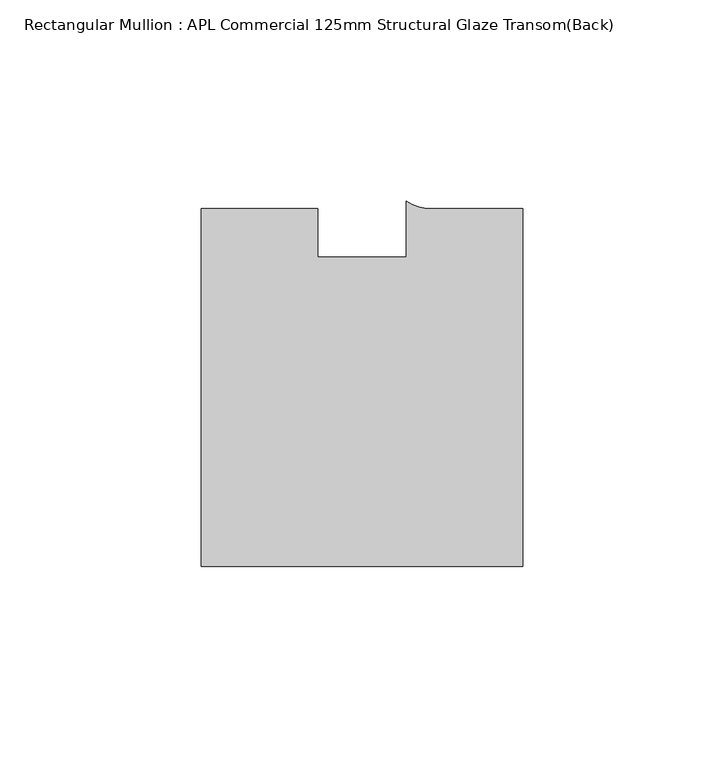
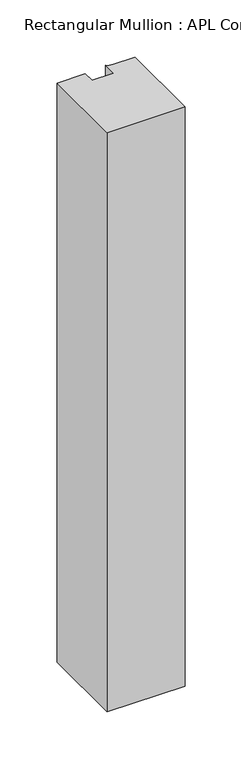
"""IFC4 building model written with IfcOpenShell, lengths in millimetres: member geometry, Rectangular Mullion : APL Commercial 125mm Structural Glaze Transom(Back)."""

import ifcopenshell
import ifcopenshell.guid

model = None  # the IFC model being written
_history = None  # IfcOwnerHistory: only IFC2X3 demands one
_inside = {}  # id of a spatial element -> (the spatial element, [elements in it])
_under = {}  # id of a project, library or spatial element -> (it, [spatial elements below it])
_declared = {}  # id of a project -> (the project, [libraries it declares])
_typed = {}  # id of a type object -> (the type object, [elements of that type])
_made_of = {}  # id of a material, layer set ... -> (it, [elements and type objects made of it])


def new_model(schema):
    """Start an empty IFC model of exactly this schema.

    Asked for "IFC4X3", IfcOpenShell would pick the latest addendum, in which some entities
    have other attributes; the version numbers below select the first issue.
    IFC2X3 requires an IfcOwnerHistory on every rooted entity: one is made here for all.
    """
    global model, _history
    if schema == "IFC4X3":
        model = ifcopenshell.file(schema_version=(4, 3, 0, 0))
    else:
        model = ifcopenshell.file(schema=schema)
    _inside.clear()
    _under.clear()
    _declared.clear()
    _typed.clear()
    _made_of.clear()
    _history = None
    if model.schema == "IFC2X3":
        org = make("IfcOrganization", Name="unknown")
        user = make(
            "IfcPersonAndOrganization",
            ThePerson=make("IfcPerson", FamilyName="unknown"),
            TheOrganization=org,
        )
        app = make(
            "IfcApplication",
            ApplicationDeveloper=org,
            Version="unknown",
            ApplicationFullName="unknown",
            ApplicationIdentifier="unknown",
        )
        _history = make(
            "IfcOwnerHistory",
            OwningUser=user,
            OwningApplication=app,
            ChangeAction="ADDED",
            CreationDate=0,
        )
    return model


def make(cls, **values):
    """One entity of the class cls with the attributes given. An attribute that is None is left unset."""
    return model.create_entity(
        cls, **{name: value for name, value in values.items() if value is not None}
    )


def rooted(cls, **values):
    """An entity with a GlobalId (a new one), such as an element, a storey or a relation."""
    return make(cls, GlobalId=ifcopenshell.guid.new(), OwnerHistory=_history, **values)


def si_unit(unit_type, name, prefix=None):
    """IfcSIUnit, for example si_unit("LENGTHUNIT", "METRE", prefix="MILLI")."""
    return make("IfcSIUnit", UnitType=unit_type, Prefix=prefix, Name=name)


def assignment(units):
    """IfcUnitAssignment: the units of a project."""
    return None if units is None else make("IfcUnitAssignment", Units=units)


def point(xyz):
    """IfcCartesianPoint."""
    return None if xyz is None else make("IfcCartesianPoint", Coordinates=xyz)


def direction(xyz):
    """IfcDirection."""
    return None if xyz is None else make("IfcDirection", DirectionRatios=xyz)


def frame(location, z_axis=None, x_axis=None):
    """IfcAxis2Placement3D, a coordinate frame: its origin and axes. An axis left out is left unset."""
    return make(
        "IfcAxis2Placement3D",
        Location=point(location),
        Axis=direction(z_axis),
        RefDirection=direction(x_axis),
    )


def frame_2d(location, x_axis=None):
    """IfcAxis2Placement2D, a coordinate frame in the plane: its origin and x axis."""
    return make(
        "IfcAxis2Placement2D", Location=point(location), RefDirection=direction(x_axis)
    )


def origin():
    """The frame at (0, 0, 0) with its axes left unset."""
    return frame((0.0, 0.0, 0.0))


def place(relative_to, where):
    """IfcLocalPlacement: puts the frame where relative to a parent placement (None: the world)."""
    return make(
        "IfcLocalPlacement", PlacementRelTo=relative_to, RelativePlacement=where
    )


def context(
    kind, dimensions, precision=None, world=None, true_north=None, identifier=None
):
    """IfcGeometricRepresentationContext, for example the 3D "Model" context."""
    return make(
        "IfcGeometricRepresentationContext",
        ContextIdentifier=identifier,
        ContextType=kind,
        CoordinateSpaceDimension=dimensions,
        Precision=precision,
        WorldCoordinateSystem=world,
        TrueNorth=true_north,
    )


def project(units=None, contexts=None):
    """IfcProject with its units and contexts."""
    return rooted(
        "IfcProject",
        Name="project",
        RepresentationContexts=contexts,
        UnitsInContext=assignment(units),
    )


def spatial(cls, under=None, at=None, **own):
    """A site, building, storey or space (cls), placed at a placement, below another one or the project."""
    s = rooted(cls, ObjectPlacement=at, **own)
    if under is not None:
        _under.setdefault(under.id(), (under, []))[1].append(s)
    return s


def polyline(points):
    """IfcPolyline through the points."""
    return make("IfcPolyline", Points=[point(p) for p in points])


def circle_curve(where, radius):
    """IfcCircle in the frame where."""
    return make("IfcCircle", Position=where, Radius=radius)


def trimmed(basis, trim1, trim2, sense, master):
    """IfcTrimmedCurve: the piece of a basis curve between two trims."""
    return make(
        "IfcTrimmedCurve",
        BasisCurve=basis,
        Trim1=trim1,
        Trim2=trim2,
        SenseAgreement=sense,
        MasterRepresentation=master,
    )


def segment(curve, same_sense, transition):
    """IfcCompositeCurveSegment."""
    return make(
        "IfcCompositeCurveSegment",
        Transition=transition,
        SameSense=same_sense,
        ParentCurve=curve,
    )


def composite_curve(segments, self_intersect=None):
    """IfcCompositeCurve: segments joined end to end."""
    return make("IfcCompositeCurve", Segments=segments, SelfIntersect=self_intersect)


def outline(outer, holes=None, kind="AREA"):
    """IfcArbitraryClosedProfileDef: a profile drawn as a closed curve; with holes, ...WithVoids."""
    if holes is None:
        return make("IfcArbitraryClosedProfileDef", ProfileType=kind, OuterCurve=outer)
    return make(
        "IfcArbitraryProfileDefWithVoids",
        ProfileType=kind,
        OuterCurve=outer,
        InnerCurves=holes,
    )


def extrude(swept, where, along, depth):
    """IfcExtrudedAreaSolid: the profile swept, set in the frame where, extruded along a direction by depth."""
    return make(
        "IfcExtrudedAreaSolid",
        SweptArea=swept,
        Position=where,
        ExtrudedDirection=direction(along),
        Depth=depth,
    )


def shape(context_of_items, identifier, shape_type, items):
    """IfcShapeRepresentation: the items that make up one representation, for example the "Body"."""
    return make(
        "IfcShapeRepresentation",
        ContextOfItems=context_of_items,
        RepresentationIdentifier=identifier,
        RepresentationType=shape_type,
        Items=items,
    )


def source(mapping_origin, context_of_items, identifier, shape_type, items):
    """IfcRepresentationMap: a shape defined once, which mapped items show again and again."""
    return make(
        "IfcRepresentationMap",
        MappingOrigin=mapping_origin,
        MappedRepresentation=shape(context_of_items, identifier, shape_type, items),
    )


def transform(
    local_origin,
    x_axis=None,
    y_axis=None,
    z_axis=None,
    scale=None,
    scale2=None,
    scale3=None,
    uniform=True,
):
    """IfcCartesianTransformationOperator3D, or its non-uniform kind. x_axis, y_axis, z_axis: its Axis1, 2, 3."""
    if uniform:
        return make(
            "IfcCartesianTransformationOperator3D",
            Axis1=direction(x_axis),
            Axis2=direction(y_axis),
            LocalOrigin=point(local_origin),
            Scale=scale,
            Axis3=direction(z_axis),
        )
    return make(
        "IfcCartesianTransformationOperator3DnonUniform",
        Axis1=direction(x_axis),
        Axis2=direction(y_axis),
        LocalOrigin=point(local_origin),
        Scale=scale,
        Axis3=direction(z_axis),
        Scale2=scale2,
        Scale3=scale3,
    )


def mapped(mapping_source, mapping_target):
    """IfcMappedItem: shows the shape of a source again, moved by a transform."""
    return make(
        "IfcMappedItem", MappingSource=mapping_source, MappingTarget=mapping_target
    )


def made_of(thing, what):
    """Note that an element or type object is made of a material, layer set ...; save() writes the relation."""
    if what is not None:
        _made_of.setdefault(what.id(), (what, []))[1].append(thing)
    return thing


def element(
    cls,
    number,
    at=None,
    inside=None,
    cuts=None,
    type_object=None,
    material=None,
    context=None,
    identifier="Body",
    shape_type=None,
    held_by="IfcProductDefinitionShape",
    body=None,
    shapes=None,
    **own,
):
    """One element of the class cls, such as IfcWall. Its Tag is "e" and its number.

    at: its placement. inside: the storey or other place that contains it. cuts: it is an
    opening in that element (IfcRelVoidsElement). A single representation is given by context,
    identifier, shape_type and body (its items); several are given by shapes. held_by: the class
    of the entity that holds the representations. save() writes the other relations.
    """
    e = rooted(cls, Tag="e%d" % number, ObjectPlacement=at, **own)
    if body is not None:
        shapes = [shape(context, identifier, shape_type, body)]
    if shapes is not None:
        e.Representation = make(held_by, Representations=shapes)
    if inside is not None:
        _inside.setdefault(inside.id(), (inside, []))[1].append(e)
    if cuts is not None:
        rooted(
            "IfcRelVoidsElement", RelatingBuildingElement=cuts, RelatedOpeningElement=e
        )
    if type_object is not None:
        _typed.setdefault(type_object.id(), (type_object, []))[1].append(e)
    return made_of(e, material)


def aggregate(whole, parts):
    """IfcRelAggregates: a whole, such as a stair, and the parts it consists of."""
    return rooted("IfcRelAggregates", RelatingObject=whole, RelatedObjects=parts)


def save(model, path):
    """Write the relations noted so far, then the file.

    IfcRelAggregates (storeys below a building ...), IfcRelContainedInSpatialStructure (elements
    in a storey), IfcRelDefinesByType, IfcRelAssociatesMaterial and IfcRelDeclares: one each for
    every whole, place, type object, material and project.
    """
    for whole, parts in _under.values():
        aggregate(whole, parts)
    for where, things in _inside.values():
        rooted(
            "IfcRelContainedInSpatialStructure",
            RelatedElements=things,
            RelatingStructure=where,
        )
    for kind, things in _typed.values():
        rooted("IfcRelDefinesByType", RelatedObjects=things, RelatingType=kind)
    for what, things in _made_of.values():
        rooted("IfcRelAssociatesMaterial", RelatedObjects=things, RelatingMaterial=what)
    for by, libraries in _declared.values():
        rooted("IfcRelDeclares", RelatingContext=by, RelatedDefinitions=libraries)
    model.write(path)


def rectangular_mullion_apl_commercial_125mm_structural_glaze_c5efb0f0(model_context):
    return source(origin(), model_context, "Body", "SweptSolid", [
        extrude(outline(composite_curve([segment(polyline([(40.0, -104.0), (-40.0, -104.0), (-40.0, -15.0000829), (-11.0000151, -15.0000829), (-11.0000151, -27.0), (11.0000151, -27.0), (11.0000151, -13.0673455)]), True, "CONTINUOUS"), segment(trimmed(circle_curve(frame_2d((17.1097719, -4.581653)), 10.4563907), [point((11.0000151, -13.0673455))], [point((17.9999542, -15.0000829))], True, "CARTESIAN"), True, "CONTINUOUS"), segment(polyline([(17.9999542, -15.0000829), (40.0, -15.0000829), (40.0, -104.0)]), True, "CONTINUOUS")], self_intersect=False)), frame((0.0, 0.0, -629.5138547), z_axis=(0.0, 0.0, 1.0), x_axis=(1.0, 0.0, 0.0)), (0.0, 0.0, 1.0), 629.5138547),
    ])


if __name__ == "__main__":
    model = new_model("IFC4")
    model_context = context("Model", 3, world=origin())
    ifc_project = project(units=[si_unit("LENGTHUNIT", "METRE", prefix="MILLI")], contexts=[model_context])
    site = spatial("IfcSite", under=ifc_project)
    building = spatial("IfcBuilding", under=site)
    placement = place(None, origin())
    rectangular_mullion_apl_commercial_125mm_structural_glaze_shape = rectangular_mullion_apl_commercial_125mm_structural_glaze_c5efb0f0(model_context)
    element("IfcMember", 1, ObjectType="Rectangular Mullion : APL Commercial 125mm Structural Glaze Transom(Back)", at=placement, inside=building, context=model_context, shape_type="MappedRepresentation", body=[
        mapped(rectangular_mullion_apl_commercial_125mm_structural_glaze_shape, transform((0.0, 0.0, 0.0), x_axis=(1.0, 0.0, 0.0), y_axis=(0.0, 1.0, 0.0), z_axis=(0.0, 0.0, 1.0))),
    ])
    save(model, "model.ifc")
